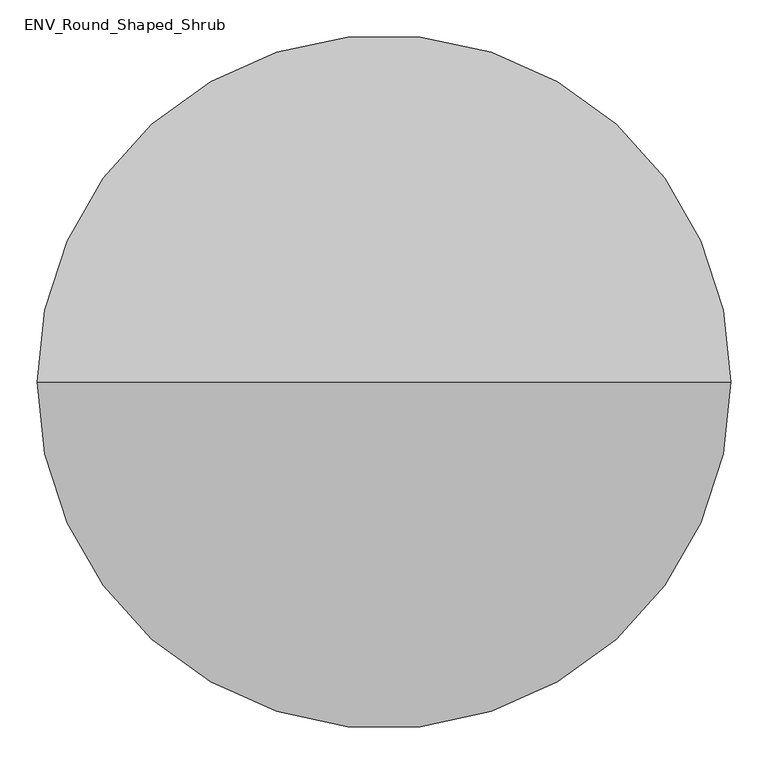
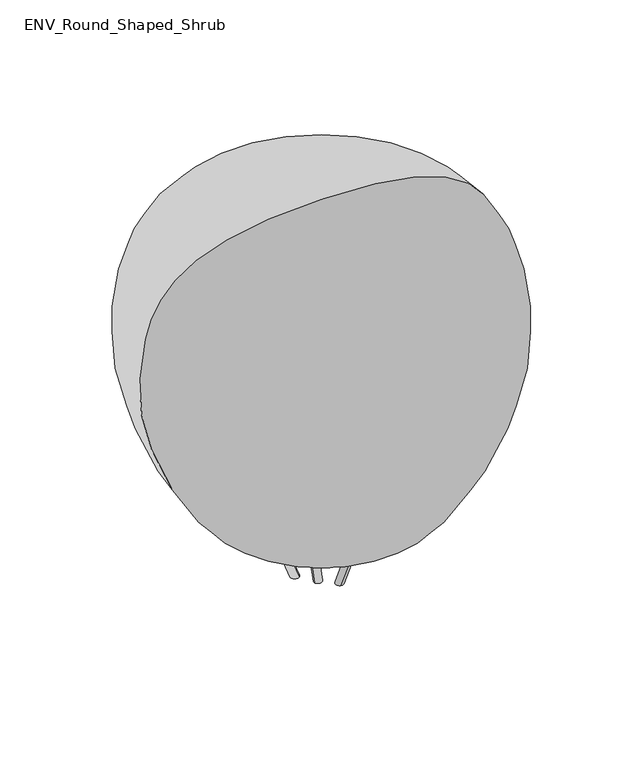
"""IFC4 building model written with IfcOpenShell, lengths in millimetres: geographic element geometry, ENV_Round_Shaped_Shrub."""

import ifcopenshell
import ifcopenshell.guid

model = None  # the IFC model being written
_history = None  # IfcOwnerHistory: only IFC2X3 demands one
_inside = {}  # id of a spatial element -> (the spatial element, [elements in it])
_under = {}  # id of a project, library or spatial element -> (it, [spatial elements below it])
_declared = {}  # id of a project -> (the project, [libraries it declares])
_typed = {}  # id of a type object -> (the type object, [elements of that type])
_made_of = {}  # id of a material, layer set ... -> (it, [elements and type objects made of it])


def new_model(schema):
    """Start an empty IFC model of exactly this schema.

    Asked for "IFC4X3", IfcOpenShell would pick the latest addendum, in which some entities
    have other attributes; the version numbers below select the first issue.
    IFC2X3 requires an IfcOwnerHistory on every rooted entity: one is made here for all.
    """
    global model, _history
    if schema == "IFC4X3":
        model = ifcopenshell.file(schema_version=(4, 3, 0, 0))
    else:
        model = ifcopenshell.file(schema=schema)
    _inside.clear()
    _under.clear()
    _declared.clear()
    _typed.clear()
    _made_of.clear()
    _history = None
    if model.schema == "IFC2X3":
        org = make("IfcOrganization", Name="unknown")
        user = make(
            "IfcPersonAndOrganization",
            ThePerson=make("IfcPerson", FamilyName="unknown"),
            TheOrganization=org,
        )
        app = make(
            "IfcApplication",
            ApplicationDeveloper=org,
            Version="unknown",
            ApplicationFullName="unknown",
            ApplicationIdentifier="unknown",
        )
        _history = make(
            "IfcOwnerHistory",
            OwningUser=user,
            OwningApplication=app,
            ChangeAction="ADDED",
            CreationDate=0,
        )
    return model


def make(cls, **values):
    """One entity of the class cls with the attributes given. An attribute that is None is left unset."""
    return model.create_entity(
        cls, **{name: value for name, value in values.items() if value is not None}
    )


def rooted(cls, **values):
    """An entity with a GlobalId (a new one), such as an element, a storey or a relation."""
    return make(cls, GlobalId=ifcopenshell.guid.new(), OwnerHistory=_history, **values)


def si_unit(unit_type, name, prefix=None):
    """IfcSIUnit, for example si_unit("LENGTHUNIT", "METRE", prefix="MILLI")."""
    return make("IfcSIUnit", UnitType=unit_type, Prefix=prefix, Name=name)


def assignment(units):
    """IfcUnitAssignment: the units of a project."""
    return None if units is None else make("IfcUnitAssignment", Units=units)


def point(xyz):
    """IfcCartesianPoint."""
    return None if xyz is None else make("IfcCartesianPoint", Coordinates=xyz)


def direction(xyz):
    """IfcDirection."""
    return None if xyz is None else make("IfcDirection", DirectionRatios=xyz)


def frame(location, z_axis=None, x_axis=None):
    """IfcAxis2Placement3D, a coordinate frame: its origin and axes. An axis left out is left unset."""
    return make(
        "IfcAxis2Placement3D",
        Location=point(location),
        Axis=direction(z_axis),
        RefDirection=direction(x_axis),
    )


def origin():
    """The frame at (0, 0, 0) with its axes left unset."""
    return frame((0.0, 0.0, 0.0))


def place(relative_to, where):
    """IfcLocalPlacement: puts the frame where relative to a parent placement (None: the world)."""
    return make(
        "IfcLocalPlacement", PlacementRelTo=relative_to, RelativePlacement=where
    )


def context(
    kind, dimensions, precision=None, world=None, true_north=None, identifier=None
):
    """IfcGeometricRepresentationContext, for example the 3D "Model" context."""
    return make(
        "IfcGeometricRepresentationContext",
        ContextIdentifier=identifier,
        ContextType=kind,
        CoordinateSpaceDimension=dimensions,
        Precision=precision,
        WorldCoordinateSystem=world,
        TrueNorth=true_north,
    )


def project(units=None, contexts=None):
    """IfcProject with its units and contexts."""
    return rooted(
        "IfcProject",
        Name="project",
        RepresentationContexts=contexts,
        UnitsInContext=assignment(units),
    )


def spatial(cls, under=None, at=None, **own):
    """A site, building, storey or space (cls), placed at a placement, below another one or the project."""
    s = rooted(cls, ObjectPlacement=at, **own)
    if under is not None:
        _under.setdefault(under.id(), (under, []))[1].append(s)
    return s


def circle_curve(where, radius):
    """IfcCircle in the frame where."""
    return make("IfcCircle", Position=where, Radius=radius)


def ellipse_curve(where, semi_axis1, semi_axis2):
    """IfcEllipse in the frame where."""
    return make(
        "IfcEllipse", Position=where, SemiAxis1=semi_axis1, SemiAxis2=semi_axis2
    )


def shape(context_of_items, identifier, shape_type, items):
    """IfcShapeRepresentation: the items that make up one representation, for example the "Body"."""
    return make(
        "IfcShapeRepresentation",
        ContextOfItems=context_of_items,
        RepresentationIdentifier=identifier,
        RepresentationType=shape_type,
        Items=items,
    )


def source(mapping_origin, context_of_items, identifier, shape_type, items):
    """IfcRepresentationMap: a shape defined once, which mapped items show again and again."""
    return make(
        "IfcRepresentationMap",
        MappingOrigin=mapping_origin,
        MappedRepresentation=shape(context_of_items, identifier, shape_type, items),
    )


def transform(
    local_origin,
    x_axis=None,
    y_axis=None,
    z_axis=None,
    scale=None,
    scale2=None,
    scale3=None,
    uniform=True,
):
    """IfcCartesianTransformationOperator3D, or its non-uniform kind. x_axis, y_axis, z_axis: its Axis1, 2, 3."""
    if uniform:
        return make(
            "IfcCartesianTransformationOperator3D",
            Axis1=direction(x_axis),
            Axis2=direction(y_axis),
            LocalOrigin=point(local_origin),
            Scale=scale,
            Axis3=direction(z_axis),
        )
    return make(
        "IfcCartesianTransformationOperator3DnonUniform",
        Axis1=direction(x_axis),
        Axis2=direction(y_axis),
        LocalOrigin=point(local_origin),
        Scale=scale,
        Axis3=direction(z_axis),
        Scale2=scale2,
        Scale3=scale3,
    )


def mapped(mapping_source, mapping_target):
    """IfcMappedItem: shows the shape of a source again, moved by a transform."""
    return make(
        "IfcMappedItem", MappingSource=mapping_source, MappingTarget=mapping_target
    )


def made_of(thing, what):
    """Note that an element or type object is made of a material, layer set ...; save() writes the relation."""
    if what is not None:
        _made_of.setdefault(what.id(), (what, []))[1].append(thing)
    return thing


def element(
    cls,
    number,
    at=None,
    inside=None,
    cuts=None,
    type_object=None,
    material=None,
    context=None,
    identifier="Body",
    shape_type=None,
    held_by="IfcProductDefinitionShape",
    body=None,
    shapes=None,
    **own,
):
    """One element of the class cls, such as IfcWall. Its Tag is "e" and its number.

    at: its placement. inside: the storey or other place that contains it. cuts: it is an
    opening in that element (IfcRelVoidsElement). A single representation is given by context,
    identifier, shape_type and body (its items); several are given by shapes. held_by: the class
    of the entity that holds the representations. save() writes the other relations.
    """
    e = rooted(cls, Tag="e%d" % number, ObjectPlacement=at, **own)
    if body is not None:
        shapes = [shape(context, identifier, shape_type, body)]
    if shapes is not None:
        e.Representation = make(held_by, Representations=shapes)
    if inside is not None:
        _inside.setdefault(inside.id(), (inside, []))[1].append(e)
    if cuts is not None:
        rooted(
            "IfcRelVoidsElement", RelatingBuildingElement=cuts, RelatedOpeningElement=e
        )
    if type_object is not None:
        _typed.setdefault(type_object.id(), (type_object, []))[1].append(e)
    return made_of(e, material)


def aggregate(whole, parts):
    """IfcRelAggregates: a whole, such as a stair, and the parts it consists of."""
    return rooted("IfcRelAggregates", RelatingObject=whole, RelatedObjects=parts)


def save(model, path):
    """Write the relations noted so far, then the file.

    IfcRelAggregates (storeys below a building ...), IfcRelContainedInSpatialStructure (elements
    in a storey), IfcRelDefinesByType, IfcRelAssociatesMaterial and IfcRelDeclares: one each for
    every whole, place, type object, material and project.
    """
    for whole, parts in _under.values():
        aggregate(whole, parts)
    for where, things in _inside.values():
        rooted(
            "IfcRelContainedInSpatialStructure",
            RelatedElements=things,
            RelatingStructure=where,
        )
    for kind, things in _typed.values():
        rooted("IfcRelDefinesByType", RelatedObjects=things, RelatingType=kind)
    for what, things in _made_of.values():
        rooted("IfcRelAssociatesMaterial", RelatedObjects=things, RelatingMaterial=what)
    for by, libraries in _declared.values():
        rooted("IfcRelDeclares", RelatingContext=by, RelatedDefinitions=libraries)
    model.write(path)


def plane_surface(at):
    """IfcPlane: the flat surface through the origin of the frame at, square to its z axis."""
    return make("IfcPlane", Position=at)


def cylinder_surface(at, radius):
    """IfcCylindricalSurface: all points at the distance radius from the z axis of the frame at."""
    return make("IfcCylindricalSurface", Position=at, Radius=radius)


def revolved_surface(curve, axis_point, axis_direction):
    """IfcSurfaceOfRevolution: the curve turned about the line through axis_point along axis_direction."""
    return make(
        "IfcSurfaceOfRevolution",
        SweptCurve=make("IfcArbitraryOpenProfileDef", ProfileType="CURVE", Curve=curve),
        AxisPosition=make("IfcAxis1Placement", Location=point(axis_point), Axis=direction(axis_direction)),
    )


def spline_curve(degree, points, multiplicities, knots, weights=None):
    """IfcBSplineCurveWithKnots; with weights, IfcRationalBSplineCurveWithKnots."""
    own = dict(
        Degree=degree,
        ControlPointsList=[point(p) for p in points],
        CurveForm="UNSPECIFIED",
        ClosedCurve=False,
        SelfIntersect=False,
        KnotMultiplicities=multiplicities,
        Knots=knots,
        KnotSpec="UNSPECIFIED",
    )
    if weights is None:
        return make("IfcBSplineCurveWithKnots", **own)
    return make("IfcRationalBSplineCurveWithKnots", WeightsData=weights, **own)


def advanced_brep(points, edges, surfaces, faces):
    """IfcAdvancedBrep: a solid bounded by faces that lie on surfaces and meet in shared edges.

    An edge is (start, end): straight between two places in points (the first is 0);
    or (start, end, curve); or (start, end, curve, False) where it runs against its curve.
    A face is (place in surfaces, loops), or (place, loops, False) where it looks against
    its surface's normal. A loop lists edges by number (the first is 1), with a minus sign
    where the edge is run from its end to its start. The first loop is the outer one.
    """
    corners = [point(p) for p in points]
    vertices = [make("IfcVertexPoint", VertexGeometry=c) for c in corners]
    made = []
    for start, end, *more in edges:
        made.append(
            make(
                "IfcEdgeCurve",
                EdgeStart=vertices[start],
                EdgeEnd=vertices[end],
                EdgeGeometry=more[0] if more else make("IfcPolyline", Points=[corners[start], corners[end]]),
                SameSense=more[1] if len(more) > 1 else True,
            )
        )
    hull = []
    for where, loops, *sense in faces:
        bounds = []
        for j, loop in enumerate(loops):
            ring = [make("IfcOrientedEdge", EdgeElement=made[abs(k) - 1], Orientation=k > 0) for k in loop]
            bounds.append(
                make(
                    "IfcFaceOuterBound" if j == 0 else "IfcFaceBound",
                    Bound=make("IfcEdgeLoop", EdgeList=ring),
                    Orientation=True,
                )
            )
        hull.append(make("IfcAdvancedFace", Bounds=bounds, FaceSurface=surfaces[where], SameSense=sense[0] if sense else True))
    return make("IfcAdvancedBrep", Outer=make("IfcClosedShell", CfsFaces=hull))


def env_round_shaped_shrub_446dff28(model_context):
    return source(origin(), model_context, "Body", "AdvancedBrep", [
        advanced_brep(
        [(61.6716294, -1.9982373, 0.0), (76.6627338, -16.637563, 0.0), (98.827655, -27.6181618, 91.7280326), (107.2505846, -24.8335529, 87.0040194), (170.8370404, -41.8714924, 152.8335625), (161.7670638, -28.8187281, 164.9727911), (95.5811063, -11.0842543, 96.4520458), (104.0040359, -8.2996453, 91.7280326)],
        [
            (0, 1, ellipse_curve(frame((69.1671816, -9.3179001, 0.0), z_axis=(0.0, 0.0, -1.0), x_axis=(-0.9659258262890683, 0.2588190451025204, 0.0)), 10.6417777, 10.0)),
            (1, 0, ellipse_curve(frame((69.1671816, -9.3179001, 0.0), z_axis=(0.0, 0.0, -1.0), x_axis=(-0.9659258262890683, 0.2588190451025204, 0.0)), 10.6417777, 10.0)),
            (2, 3, ellipse_curve(frame((101.4158454, -17.9589036, 91.7280326), z_axis=(0.5189915681571995, -0.13906337156628334, 0.8433914458128852), x_axis=(-0.8146535791819433, 0.21828576865292487, 0.5372996083468246)), 10.2427951, 10.0)),
            (3, 4),
            (4, 5, circle_curve(frame((166.3020521, -35.3451102, 158.9031768), z_axis=(-0.6830127018922202, 0.18301270189221922, -0.7071067811865468), x_axis=(0.45349882942493097, -0.6526382107663821, -0.606961430041376)), 10.0)),
            (5, 6),
            (6, 2, ellipse_curve(frame((101.4158454, -17.9589036, 91.7280326), z_axis=(0.5189915681571995, -0.13906337156628334, 0.8433914458128852), x_axis=(-0.8146535791819433, 0.21828576865292487, 0.5372996083468246)), 10.2427951, 10.0)),
            (7, 6, ellipse_curve(frame((101.4158454, -17.9589036, 91.7280326), z_axis=(0.5189915681571995, -0.13906337156628334, 0.8433914458128852), x_axis=(-0.8146535791819433, 0.21828576865292487, 0.5372996083468246)), 10.2427951, 10.0)),
            (5, 4, circle_curve(frame((166.3020521, -35.3451102, 158.9031768), z_axis=(-0.6830127018922202, 0.18301270189221922, -0.7071067811865468), x_axis=(0.45349882942493097, -0.6526382107663821, -0.606961430041376)), 10.0)),
            (3, 7, ellipse_curve(frame((101.4158454, -17.9589036, 91.7280326), z_axis=(0.5189915681571995, -0.13906337156628334, 0.8433914458128852), x_axis=(-0.8146535791819433, 0.21828576865292487, 0.5372996083468246)), 10.2427951, 10.0)),
            (6, 0),
            (1, 3),
        ],
        [
            plane_surface(frame((70.0, -94.4589468, 0.0), z_axis=(0.0, 0.0, -1.0), x_axis=(0.866025403784438, 0.5000000000000011, 0.0))),
            cylinder_surface(frame((101.4158454, -17.9589036, 91.7280326), z_axis=(-0.6830127018922201, 0.1830127018922192, -0.7071067811865467), x_axis=(0.45349882942493097, -0.6526382107663821, -0.606961430041376)), 10.0),
            plane_surface(frame((166.3020521, -35.3451102, 158.9031768), z_axis=(0.6830127018922202, -0.18301270189221933, 0.7071067811865469), x_axis=(-0.25881904510252046, -0.9659258262890684, 0.0))),
            cylinder_surface(frame((67.0577721, -8.7526856, -6.0), z_axis=(-0.3303660895493531, 0.08852132690137701, -0.939692620785908), x_axis=(0.6463415014785641, -0.7043102490094133, -0.2935808859696647)), 10.0),
        ],
        [
            (0, [[1, 2]]),
            (1, [[3, 4, 5, 6, 7]]),
            (1, [[8, -6, 9, -4, 10]]),
            (2, [[-5, -9]]),
            (3, [[-3, -7, 11, -2, 12]]),
            (3, [[-8, -10, -12, -1, -11]]),
        ],
    ),
        advanced_brep(
        [(-19.7624914, -33.0177742, 0.0), (-39.9360715, -38.6807887, 0.0), (-60.5280097, -52.385874, 91.7280326), (-62.3279323, -61.0726495, 87.0040194), (-108.8764487, -107.6211659, 152.8335625), (-93.037435, -106.2927178, 164.9727911), (-44.5859513, -57.8412342, 96.4520458), (-46.385874, -66.5280097, 91.7280326)],
        [
            (0, 1, ellipse_curve(frame((-29.8492815, -35.8492815, 0.0), z_axis=(0.0, 0.0, -1.0), x_axis=(0.7071067811865501, 0.7071067811865449, 0.0)), 10.6417777, 10.0)),
            (1, 0, ellipse_curve(frame((-29.8492815, -35.8492815, 0.0), z_axis=(0.0, 0.0, -1.0), x_axis=(0.7071067811865501, 0.7071067811865449, 0.0)), 10.6417777, 10.0)),
            (2, 3, ellipse_curve(frame((-53.4569418, -59.4569418, 91.7280326), z_axis=(-0.3799281965909173, -0.3799281965909145, 0.8433914458128852), x_axis=(0.5963678105290198, 0.5963678105290152, 0.5372996083468252)), 10.2427951, 10.0)),
            (3, 4),
            (4, 5, circle_curve(frame((-100.9569418, -106.9569418, 158.9031768), z_axis=(0.5000000000000024, 0.49999999999999867, -0.7071067811865469), x_axis=(-0.7919506847165756, -0.06642240148530193, -0.6069614300413759)), 10.0)),
            (5, 6),
            (6, 2, ellipse_curve(frame((-53.4569418, -59.4569418, 91.7280326), z_axis=(-0.3799281965909173, -0.3799281965909145, 0.8433914458128852), x_axis=(0.5963678105290198, 0.5963678105290152, 0.5372996083468252)), 10.2427951, 10.0)),
            (7, 6, ellipse_curve(frame((-53.4569418, -59.4569418, 91.7280326), z_axis=(-0.3799281965909173, -0.3799281965909145, 0.8433914458128852), x_axis=(0.5963678105290198, 0.5963678105290152, 0.5372996083468252)), 10.2427951, 10.0)),
            (5, 4, circle_curve(frame((-100.9569418, -106.9569418, 158.9031768), z_axis=(0.5000000000000024, 0.49999999999999867, -0.7071067811865469), x_axis=(-0.7919506847165756, -0.06642240148530193, -0.6069614300413759)), 10.0)),
            (3, 7, ellipse_curve(frame((-53.4569418, -59.4569418, 91.7280326), z_axis=(-0.3799281965909173, -0.3799281965909145, 0.8433914458128852), x_axis=(0.5963678105290198, 0.5963678105290152, 0.5372996083468252)), 10.2427951, 10.0)),
            (6, 0),
            (1, 3),
        ],
        [
            plane_surface(frame((70.0, -94.4589468, 0.0), z_axis=(0.0, 0.0, -1.0), x_axis=(0.866025403784438, 0.5000000000000011, 0.0))),
            cylinder_surface(frame((-53.4569418, -59.4569418, 91.7280326), z_axis=(0.5000000000000023, 0.49999999999999856, -0.7071067811865468), x_axis=(-0.7919506847165756, -0.06642240148530193, -0.6069614300413759)), 10.0),
            plane_surface(frame((-100.9569418, -106.9569418, 158.9031768), z_axis=(-0.5000000000000026, -0.49999999999999856, 0.7071067811865468), x_axis=(-0.7071067811865447, 0.7071067811865503, 0.0))),
            cylinder_surface(frame((-28.3050865, -34.3050865, -6.0), z_axis=(0.24184476264797683, 0.24184476264797505, -0.939692620785908), x_axis=(-0.9331213185271785, -0.20759303529590376, -0.2935808859696646)), 10.0),
        ],
        [
            (0, [[1, 2]]),
            (1, [[3, 4, 5, 6, 7]]),
            (1, [[8, -6, 9, -4, 10]]),
            (2, [[-5, -9]]),
            (3, [[-3, -7, 11, -2, 12]]),
            (3, [[-8, -10, -12, -1, -11]]),
        ],
    ),
        advanced_brep(
        [(-5.909138, 53.0160116, 0.0), (-0.7266623, 73.3183516, 0.0), (-2.2996453, 98.0040359, 91.7280326), (-8.9226522, 103.9062024, 87.0040194), (-25.9605917, 167.4926582, 152.8335625), (-32.7296288, 153.111446, 164.9727911), (-14.9951549, 86.9254884, 96.4520458), (-21.6181618, 92.827655, 91.7280326)],
        [
            (0, 1, ellipse_curve(frame((-3.3179001, 63.1671816, 0.0), z_axis=(0.0, 0.0, -1.0), x_axis=(0.2588190451025192, -0.9659258262890686, 0.0)), 10.6417777, 10.0)),
            (1, 0, ellipse_curve(frame((-3.3179001, 63.1671816, 0.0), z_axis=(0.0, 0.0, -1.0), x_axis=(0.2588190451025192, -0.9659258262890686, 0.0)), 10.6417777, 10.0)),
            (2, 3, ellipse_curve(frame((-11.9589036, 95.4158454, 91.7280326), z_axis=(-0.13906337156628273, 0.5189915681571997, 0.8433914458128852), x_axis=(0.21828576865292396, -0.8146535791819434, 0.5372996083468248)), 10.2427951, 10.0)),
            (3, 4),
            (4, 5, circle_curve(frame((-29.3451102, 160.3020521, 158.9031768), z_axis=(0.18301270189221844, -0.6830127018922205, -0.7071067811865467), x_axis=(0.33845185529164556, 0.7190606122516878, -0.6069614300413747)), 10.0)),
            (5, 6),
            (6, 2, ellipse_curve(frame((-11.9589036, 95.4158454, 91.7280326), z_axis=(-0.13906337156628273, 0.5189915681571997, 0.8433914458128852), x_axis=(0.21828576865292396, -0.8146535791819434, 0.5372996083468248)), 10.2427951, 10.0)),
            (7, 6, ellipse_curve(frame((-11.9589036, 95.4158454, 91.7280326), z_axis=(-0.13906337156628273, 0.5189915681571997, 0.8433914458128852), x_axis=(0.21828576865292396, -0.8146535791819434, 0.5372996083468248)), 10.2427951, 10.0)),
            (5, 4, circle_curve(frame((-29.3451102, 160.3020521, 158.9031768), z_axis=(0.18301270189221844, -0.6830127018922205, -0.7071067811865467), x_axis=(0.33845185529164556, 0.7190606122516878, -0.6069614300413747)), 10.0)),
            (3, 7, ellipse_curve(frame((-11.9589036, 95.4158454, 91.7280326), z_axis=(-0.13906337156628273, 0.5189915681571997, 0.8433914458128852), x_axis=(0.21828576865292396, -0.8146535791819434, 0.5372996083468248)), 10.2427951, 10.0)),
            (6, 0),
            (1, 3),
        ],
        [
            plane_surface(frame((70.0, -94.4589468, 0.0), z_axis=(0.0, 0.0, -1.0), x_axis=(0.866025403784438, 0.5000000000000011, 0.0))),
            cylinder_surface(frame((-11.9589036, 95.4158454, 91.7280326), z_axis=(0.1830127018922184, -0.6830127018922204, -0.7071067811865466), x_axis=(0.33845185529164556, 0.7190606122516878, -0.6069614300413747)), 10.0),
            plane_surface(frame((-29.3451102, 160.3020521, 158.9031768), z_axis=(-0.18301270189221808, 0.6830127018922203, 0.7071067811865469), x_axis=(0.9659258262890689, 0.2588190451025188, 0.0))),
            cylinder_surface(frame((-2.7526856, 61.0577721, -6.0), z_axis=(0.0885213269013766, -0.3303660895493532, -0.939692620785908), x_axis=(0.2867798170486154, 0.91190328430532, -0.29358088596966486)), 10.0),
        ],
        [
            (0, [[1, 2]]),
            (1, [[3, 4, 5, 6, 7]]),
            (1, [[8, -6, 9, -4, 10]]),
            (2, [[-5, -9]]),
            (3, [[-3, -7, 11, -2, 12]]),
            (3, [[-8, -10, -12, -1, -11]]),
        ],
    ),
        advanced_brep(
        [(-44.371992, -41.8687327, 57.0605201), (-46.1101944, -60.6134537, 63.8143403), (-12.0428632, -26.5461225, 167.133428), (-10.3046607, -7.8014015, 160.3796078)],
        [
            (0, 1, circle_curve(frame((-45.2410932, -51.2410932, 60.4374302), z_axis=(0.29883623873011994, 0.2988362387301175, 0.9063077870366508), x_axis=(-0.0869101235168831, -0.9372360499747513, 0.33769100825755716)), 10.0)),
            (1, 2),
            (2, 3, circle_curve(frame((-11.173762, -17.173762, 163.7565179), z_axis=(-0.29883623873011994, -0.2988362387301175, -0.9063077870366508), x_axis=(-0.0869101235168831, -0.9372360499747513, 0.33769100825755716)), 10.0)),
            (3, 0),
            (1, 0, circle_curve(frame((-45.2410932, -51.2410932, 60.4374302), z_axis=(0.29883623873011994, 0.2988362387301175, 0.9063077870366508), x_axis=(-0.0869101235168831, -0.9372360499747513, 0.33769100825755716)), 10.0)),
            (3, 2, circle_curve(frame((-11.173762, -17.173762, 163.7565179), z_axis=(-0.29883623873011994, -0.2988362387301175, -0.9063077870366508), x_axis=(-0.0869101235168831, -0.9372360499747513, 0.33769100825755716)), 10.0)),
        ],
        [
            cylinder_surface(frame((-45.2410932, -51.2410932, 60.4374302), z_axis=(-0.2988362387301199, -0.29883623873011744, -0.9063077870366506), x_axis=(-0.0869101235168831, -0.9372360499747513, 0.33769100825755716)), 10.0),
            plane_surface(frame((-11.173762, -17.173762, 163.7565179), z_axis=(0.29883623873012, 0.2988362387301176, 0.9063077870366507), x_axis=(-0.7071067811865447, 0.7071067811865503, 0.0))),
            plane_surface(frame((-45.2410932, -51.2410932, 60.4374302), z_axis=(-0.29883623873012, -0.2988362387301176, -0.9063077870366507), x_axis=(-0.7071067811865447, 0.7071067811865503, 0.0))),
        ],
        [
            (0, [[1, 2, 3, 4]]),
            (0, [[5, -4, 6, -2]]),
            (1, [[-3, -6]]),
            (2, [[-5, -1]]),
        ],
    ),
        advanced_brep(
        [(-1.2695426, 78.7539435, 57.0605201), (-16.6338459, 89.6316314, 63.8143403), (-4.1643373, 43.0947916, 167.133428), (11.1999661, 32.2171036, 160.3796078)],
        [
            (0, 1, circle_curve(frame((-8.9516943, 84.1927875, 60.4374302), z_axis=(0.10938165494661385, -0.4082178936767335, 0.9063077870366507), x_axis=(-0.7682151668622754, 0.5438843997990385, 0.3376910082575573)), 10.0)),
            (1, 2),
            (2, 3, circle_curve(frame((3.5178144, 37.6559476, 163.7565179), z_axis=(-0.10938165494661385, 0.4082178936767335, -0.9063077870366507), x_axis=(-0.7682151668622754, 0.5438843997990385, 0.3376910082575573)), 10.0)),
            (3, 0),
            (1, 0, circle_curve(frame((-8.9516943, 84.1927875, 60.4374302), z_axis=(0.10938165494661385, -0.4082178936767335, 0.9063077870366507), x_axis=(-0.7682151668622754, 0.5438843997990385, 0.3376910082575573)), 10.0)),
            (3, 2, circle_curve(frame((3.5178144, 37.6559476, 163.7565179), z_axis=(-0.10938165494661385, 0.4082178936767335, -0.9063077870366507), x_axis=(-0.7682151668622754, 0.5438843997990385, 0.3376910082575573)), 10.0)),
        ],
        [
            cylinder_surface(frame((-8.9516943, 84.1927875, 60.4374302), z_axis=(-0.10938165494661385, 0.4082178936767335, -0.9063077870366507), x_axis=(-0.7682151668622754, 0.5438843997990385, 0.3376910082575573)), 10.0),
            plane_surface(frame((3.5178144, 37.6559476, 163.7565179), z_axis=(0.10938165494661387, -0.40821789367673356, 0.9063077870366508), x_axis=(0.9659258262890689, 0.258819045102519, 0.0))),
            plane_surface(frame((-8.9516943, 84.1927875, 60.4374302), z_axis=(-0.10938165494661387, 0.40821789367673356, -0.9063077870366508), x_axis=(0.9659258262890689, 0.258819045102519, 0.0))),
        ],
        [
            (0, [[1, 2, 3, 4]]),
            (0, [[5, -4, 6, -2]]),
            (1, [[-3, -6]]),
            (2, [[-5, -1]]),
        ],
    ),
        advanced_brep(
        [(81.6415345, -18.8852108, 57.0605201), (98.7440404, -11.0181777, 63.8143403), (52.2072005, 1.4513309, 167.133428), (35.1046947, -6.4157021, 160.3796078)],
        [
            (0, 1, circle_curve(frame((90.1927875, -14.9516943, 60.4374302), z_axis=(-0.40821789367673333, 0.10938165494661448, 0.9063077870366507), x_axis=(0.8551252903791562, 0.3933516501757146, 0.3376910082575578)), 10.0)),
            (1, 2),
            (2, 3, circle_curve(frame((43.6559476, -2.4821856, 163.7565179), z_axis=(0.40821789367673333, -0.10938165494661448, -0.9063077870366507), x_axis=(0.8551252903791562, 0.3933516501757146, 0.3376910082575578)), 10.0)),
            (3, 0),
            (1, 0, circle_curve(frame((90.1927875, -14.9516943, 60.4374302), z_axis=(-0.40821789367673333, 0.10938165494661448, 0.9063077870366507), x_axis=(0.8551252903791562, 0.3933516501757146, 0.3376910082575578)), 10.0)),
            (3, 2, circle_curve(frame((43.6559476, -2.4821856, 163.7565179), z_axis=(0.40821789367673333, -0.10938165494661448, -0.9063077870366507), x_axis=(0.8551252903791562, 0.3933516501757146, 0.3376910082575578)), 10.0)),
        ],
        [
            cylinder_surface(frame((90.1927875, -14.9516943, 60.4374302), z_axis=(0.40821789367673333, -0.10938165494661448, -0.9063077870366507), x_axis=(0.8551252903791562, 0.3933516501757146, 0.3376910082575578)), 10.0),
            plane_surface(frame((43.6559476, -2.4821856, 163.7565179), z_axis=(-0.4082178936767332, 0.10938165494661453, 0.9063077870366508), x_axis=(-0.25881904510252063, -0.9659258262890683, 0.0))),
            plane_surface(frame((90.1927875, -14.9516943, 60.4374302), z_axis=(0.4082178936767332, -0.10938165494661453, -0.9063077870366508), x_axis=(-0.25881904510252063, -0.9659258262890683, 0.0))),
        ],
        [
            (0, [[1, 2, 3, 4]]),
            (0, [[5, -4, 6, -2]]),
            (1, [[-3, -6]]),
            (2, [[-5, -1]]),
        ],
    ),
        advanced_brep(
        [(23.7624914, 29.0177742, 0.0), (43.9360715, 34.6807887, 0.0), (64.5280097, 48.385874, 91.7280326), (66.3279323, 57.0726495, 87.0040194), (112.8764487, 103.6211659, 152.8335625), (97.037435, 102.2927178, 164.9727911), (48.5859513, 53.8412342, 96.4520458), (50.385874, 62.5280097, 91.7280326)],
        [
            (0, 1, ellipse_curve(frame((33.8492815, 31.8492815, 0.0), z_axis=(0.0, 0.0, -1.0), x_axis=(-0.7071067811865481, -0.7071067811865469, 0.0)), 10.6417777, 10.0)),
            (1, 0, ellipse_curve(frame((33.8492815, 31.8492815, 0.0), z_axis=(0.0, 0.0, -1.0), x_axis=(-0.7071067811865481, -0.7071067811865469, 0.0)), 10.6417777, 10.0)),
            (2, 3, ellipse_curve(frame((57.4569418, 55.4569418, 91.7280326), z_axis=(0.37992819659091615, 0.3799281965909155, 0.8433914458128852), x_axis=(-0.596367810529018, -0.5963678105290176, 0.5372996083468246)), 10.2427951, 10.0)),
            (3, 4),
            (4, 5, circle_curve(frame((104.9569418, 102.9569418, 158.9031768), z_axis=(-0.5000000000000009, -0.5000000000000001, -0.7071067811865468), x_axis=(0.7919506847165753, 0.06642240148530414, -0.6069614300413761)), 10.0)),
            (5, 6),
            (6, 2, ellipse_curve(frame((57.4569418, 55.4569418, 91.7280326), z_axis=(0.37992819659091615, 0.3799281965909155, 0.8433914458128852), x_axis=(-0.596367810529018, -0.5963678105290176, 0.5372996083468246)), 10.2427951, 10.0)),
            (7, 6, ellipse_curve(frame((57.4569418, 55.4569418, 91.7280326), z_axis=(0.37992819659091615, 0.3799281965909155, 0.8433914458128852), x_axis=(-0.596367810529018, -0.5963678105290176, 0.5372996083468246)), 10.2427951, 10.0)),
            (5, 4, circle_curve(frame((104.9569418, 102.9569418, 158.9031768), z_axis=(-0.5000000000000009, -0.5000000000000001, -0.7071067811865468), x_axis=(0.7919506847165753, 0.06642240148530414, -0.6069614300413761)), 10.0)),
            (3, 7, ellipse_curve(frame((57.4569418, 55.4569418, 91.7280326), z_axis=(0.37992819659091615, 0.3799281965909155, 0.8433914458128852), x_axis=(-0.596367810529018, -0.5963678105290176, 0.5372996083468246)), 10.2427951, 10.0)),
            (6, 0),
            (1, 3),
        ],
        [
            plane_surface(frame((108.0, -10.0, 0.0), z_axis=(0.0, 0.0, -1.0), x_axis=(0.0, 1.0, 0.0))),
            cylinder_surface(frame((57.4569418, 55.4569418, 91.7280326), z_axis=(-0.5000000000000009, -0.5000000000000001, -0.7071067811865468), x_axis=(0.7919506847165753, 0.06642240148530414, -0.6069614300413761)), 10.0),
            plane_surface(frame((104.9569418, 102.9569418, 158.9031768), z_axis=(0.5000000000000011, 0.5000000000000001, 0.7071067811865469), x_axis=(0.7071067811865469, -0.7071067811865482, 0.0))),
            cylinder_surface(frame((32.3050865, 30.3050865, -6.0), z_axis=(-0.2418447626479762, -0.24184476264797575, -0.9396926207859081), x_axis=(0.9331213185271781, 0.20759303529590603, -0.29358088596966475)), 10.0),
        ],
        [
            (0, [[1, 2]]),
            (1, [[3, 4, 5, 6, 7]]),
            (1, [[8, -6, 9, -4, 10]]),
            (2, [[-5, -9]]),
            (3, [[-3, -7, 11, -2, 12]]),
            (3, [[-8, -10, -12, -1, -11]]),
        ],
    ),
        advanced_brep(
        [(9.909138, -57.0160116, 0.0), (4.7266623, -77.3183516, 0.0), (6.2996453, -102.0040359, 91.7280326), (12.9226522, -107.9062024, 87.0040194), (29.9605917, -171.4926582, 152.8335625), (36.7296288, -157.111446, 164.9727911), (18.9951549, -90.9254884, 96.4520458), (25.6181618, -96.827655, 91.7280326)],
        [
            (0, 1, ellipse_curve(frame((7.3179001, -67.1671816, 0.0), z_axis=(0.0, 0.0, -1.0), x_axis=(-0.258819045102516, 0.9659258262890695, 0.0)), 10.6417777, 10.0)),
            (1, 0, ellipse_curve(frame((7.3179001, -67.1671816, 0.0), z_axis=(0.0, 0.0, -1.0), x_axis=(-0.258819045102516, 0.9659258262890695, 0.0)), 10.6417777, 10.0)),
            (2, 3, ellipse_curve(frame((15.9589036, -99.4158454, 91.7280326), z_axis=(0.13906337156628096, -0.5189915681572, 0.8433914458128852), x_axis=(-0.21828576865292115, 0.8146535791819443, 0.5372996083468246)), 10.2427951, 10.0)),
            (3, 4),
            (4, 5, circle_curve(frame((33.3451102, -164.3020521, 158.9031768), z_axis=(-0.18301270189221608, 0.683012701892221, -0.7071067811865469), x_axis=(-0.33845185529164806, -0.7190606122516857, -0.606961430041376)), 10.0)),
            (5, 6),
            (6, 2, ellipse_curve(frame((15.9589036, -99.4158454, 91.7280326), z_axis=(0.13906337156628096, -0.5189915681572, 0.8433914458128852), x_axis=(-0.21828576865292115, 0.8146535791819443, 0.5372996083468246)), 10.2427951, 10.0)),
            (7, 6, ellipse_curve(frame((15.9589036, -99.4158454, 91.7280326), z_axis=(0.13906337156628096, -0.5189915681572, 0.8433914458128852), x_axis=(-0.21828576865292115, 0.8146535791819443, 0.5372996083468246)), 10.2427951, 10.0)),
            (5, 4, circle_curve(frame((33.3451102, -164.3020521, 158.9031768), z_axis=(-0.18301270189221608, 0.683012701892221, -0.7071067811865469), x_axis=(-0.33845185529164806, -0.7190606122516857, -0.606961430041376)), 10.0)),
            (3, 7, ellipse_curve(frame((15.9589036, -99.4158454, 91.7280326), z_axis=(0.13906337156628096, -0.5189915681572, 0.8433914458128852), x_axis=(-0.21828576865292115, 0.8146535791819443, 0.5372996083468246)), 10.2427951, 10.0)),
            (6, 0),
            (1, 3),
        ],
        [
            plane_surface(frame((108.0, -10.0, 0.0), z_axis=(0.0, 0.0, -1.0), x_axis=(0.0, 1.0, 0.0))),
            cylinder_surface(frame((15.9589036, -99.4158454, 91.7280326), z_axis=(-0.18301270189221608, 0.683012701892221, -0.7071067811865469), x_axis=(-0.33845185529164806, -0.7190606122516857, -0.606961430041376)), 10.0),
            plane_surface(frame((33.3451102, -164.3020521, 158.9031768), z_axis=(0.183012701892216, -0.6830127018922211, 0.7071067811865468), x_axis=(-0.9659258262890696, -0.25881904510251574, 0.0))),
            cylinder_surface(frame((6.7526856, -65.0577721, -6.0), z_axis=(-0.0885213269013755, 0.33036608954935354, -0.9396926207859081), x_axis=(-0.2867798170486181, -0.9119032843053192, -0.29358088596966464)), 10.0),
        ],
        [
            (0, [[1, 2]]),
            (1, [[3, 4, 5, 6, 7]]),
            (1, [[8, -6, 9, -4, 10]]),
            (2, [[-5, -9]]),
            (3, [[-3, -7, 11, -2, 12]]),
            (3, [[-8, -10, -12, -1, -11]]),
        ],
    ),
        advanced_brep(
        [(-57.6716294, -2.0017627, 0.0), (-72.6627338, 12.637563, 0.0), (-94.827655, 23.6181618, 91.7280326), (-103.2505846, 20.8335529, 87.0040194), (-166.8370404, 37.8714924, 152.8335625), (-157.7670638, 24.8187281, 164.9727911), (-91.5811063, 7.0842543, 96.4520458), (-100.0040359, 4.2996453, 91.7280326)],
        [
            (0, 1, ellipse_curve(frame((-65.1671816, 5.3179001, 0.0), z_axis=(0.0, 0.0, -1.0), x_axis=(0.9659258262890674, -0.25881904510252346, 0.0)), 10.6417777, 10.0)),
            (1, 0, ellipse_curve(frame((-65.1671816, 5.3179001, 0.0), z_axis=(0.0, 0.0, -1.0), x_axis=(0.9659258262890674, -0.25881904510252346, 0.0)), 10.6417777, 10.0)),
            (2, 3, ellipse_curve(frame((-97.4158454, 13.9589036, 91.7280326), z_axis=(-0.5189915681571992, 0.13906337156628504, 0.843391445812885), x_axis=(0.8146535791819424, -0.21828576865292773, 0.5372996083468247)), 10.2427951, 10.0)),
            (3, 4),
            (4, 5, circle_curve(frame((-162.3020521, 31.3451102, 158.9031768), z_axis=(0.6830127018922196, -0.18301270189222146, -0.7071067811865467), x_axis=(-0.45349882942493003, 0.6526382107663843, -0.6069614300413748)), 10.0)),
            (5, 6),
            (6, 2, ellipse_curve(frame((-97.4158454, 13.9589036, 91.7280326), z_axis=(-0.5189915681571992, 0.13906337156628504, 0.843391445812885), x_axis=(0.8146535791819424, -0.21828576865292773, 0.5372996083468247)), 10.2427951, 10.0)),
            (7, 6, ellipse_curve(frame((-97.4158454, 13.9589036, 91.7280326), z_axis=(-0.5189915681571992, 0.13906337156628504, 0.843391445812885), x_axis=(0.8146535791819424, -0.21828576865292773, 0.5372996083468247)), 10.2427951, 10.0)),
            (5, 4, circle_curve(frame((-162.3020521, 31.3451102, 158.9031768), z_axis=(0.6830127018922196, -0.18301270189222146, -0.7071067811865467), x_axis=(-0.45349882942493003, 0.6526382107663843, -0.6069614300413748)), 10.0)),
            (3, 7, ellipse_curve(frame((-97.4158454, 13.9589036, 91.7280326), z_axis=(-0.5189915681571992, 0.13906337156628504, 0.843391445812885), x_axis=(0.8146535791819424, -0.21828576865292773, 0.5372996083468247)), 10.2427951, 10.0)),
            (6, 0),
            (1, 3),
        ],
        [
            plane_surface(frame((108.0, -10.0, 0.0), z_axis=(0.0, 0.0, -1.0), x_axis=(0.0, 1.0, 0.0))),
            cylinder_surface(frame((-97.4158454, 13.9589036, 91.7280326), z_axis=(0.6830127018922196, -0.18301270189222146, -0.7071067811865467), x_axis=(-0.45349882942493003, 0.6526382107663843, -0.6069614300413748)), 10.0),
            plane_surface(frame((-162.3020521, 31.3451102, 158.9031768), z_axis=(-0.6830127018922194, 0.1830127018922217, 0.7071067811865469), x_axis=(0.2588190451025239, 0.9659258262890675, 0.0))),
            cylinder_surface(frame((-63.0577721, 4.7526856, -6.0), z_axis=(0.33036608954935287, -0.08852132690137807, -0.9396926207859081), x_axis=(-0.646341501478562, 0.7043102490094154, -0.2935808859696649)), 10.0),
        ],
        [
            (0, [[1, 2]]),
            (1, [[3, 4, 5, 6, 7]]),
            (1, [[8, -6, 9, -4, 10]]),
            (2, [[-5, -9]]),
            (3, [[-3, -7, 11, -2, 12]]),
            (3, [[-8, -10, -12, -1, -11]]),
        ],
    ),
        advanced_brep(
        [(5.2695426, -82.7539435, 57.0605201), (20.6338459, -93.6316314, 63.8143403), (8.1643373, -47.0947916, 167.133428), (-7.1999661, -36.2171036, 160.3796078)],
        [
            (0, 1, circle_curve(frame((12.9516943, -88.1927875, 60.4374302), z_axis=(-0.1093816549466124, 0.4082178936767339, 0.9063077870366507), x_axis=(0.7682151668622742, -0.5438843997990408, 0.3376910082575572)), 10.0)),
            (1, 2),
            (2, 3, circle_curve(frame((0.4821856, -41.6559476, 163.7565179), z_axis=(0.1093816549466124, -0.4082178936767339, -0.9063077870366507), x_axis=(0.7682151668622742, -0.5438843997990408, 0.3376910082575572)), 10.0)),
            (3, 0),
            (1, 0, circle_curve(frame((12.9516943, -88.1927875, 60.4374302), z_axis=(-0.1093816549466124, 0.4082178936767339, 0.9063077870366507), x_axis=(0.7682151668622742, -0.5438843997990408, 0.3376910082575572)), 10.0)),
            (3, 2, circle_curve(frame((0.4821856, -41.6559476, 163.7565179), z_axis=(0.1093816549466124, -0.4082178936767339, -0.9063077870366507), x_axis=(0.7682151668622742, -0.5438843997990408, 0.3376910082575572)), 10.0)),
        ],
        [
            cylinder_surface(frame((12.9516943, -88.1927875, 60.4374302), z_axis=(0.1093816549466124, -0.4082178936767339, -0.9063077870366507), x_axis=(0.7682151668622742, -0.5438843997990408, 0.3376910082575572)), 10.0),
            plane_surface(frame((0.4821856, -41.6559476, 163.7565179), z_axis=(-0.10938165494661252, 0.408217893676734, 0.9063077870366507), x_axis=(-0.9659258262890696, -0.25881904510251574, 0.0))),
            plane_surface(frame((12.9516943, -88.1927875, 60.4374302), z_axis=(0.10938165494661252, -0.408217893676734, -0.9063077870366507), x_axis=(-0.9659258262890696, -0.25881904510251574, 0.0))),
        ],
        [
            (0, [[1, 2, 3, 4]]),
            (0, [[5, -4, 6, -2]]),
            (1, [[-3, -6]]),
            (2, [[-5, -1]]),
        ],
    ),
        advanced_brep(
        [(-77.6415345, 14.8852108, 57.0605201), (-94.7440404, 7.0181777, 63.8143403), (-48.2072005, -5.4513309, 167.133428), (-31.1046947, 2.4157021, 160.3796078)],
        [
            (0, 1, circle_curve(frame((-86.1927875, 10.9516943, 60.4374302), z_axis=(0.408217893676733, -0.10938165494661586, 0.9063077870366508), x_axis=(-0.8551252903791576, -0.3933516501757118, 0.3376910082575574)), 10.0)),
            (1, 2),
            (2, 3, circle_curve(frame((-39.6559476, -1.5178144, 163.7565179), z_axis=(-0.408217893676733, 0.10938165494661586, -0.9063077870366508), x_axis=(-0.8551252903791576, -0.3933516501757118, 0.3376910082575574)), 10.0)),
            (3, 0),
            (1, 0, circle_curve(frame((-86.1927875, 10.9516943, 60.4374302), z_axis=(0.408217893676733, -0.10938165494661586, 0.9063077870366508), x_axis=(-0.8551252903791576, -0.3933516501757118, 0.3376910082575574)), 10.0)),
            (3, 2, circle_curve(frame((-39.6559476, -1.5178144, 163.7565179), z_axis=(-0.408217893676733, 0.10938165494661586, -0.9063077870366508), x_axis=(-0.8551252903791576, -0.3933516501757118, 0.3376910082575574)), 10.0)),
        ],
        [
            cylinder_surface(frame((-86.1927875, 10.9516943, 60.4374302), z_axis=(-0.408217893676733, 0.10938165494661586, -0.9063077870366508), x_axis=(-0.8551252903791576, -0.3933516501757118, 0.3376910082575574)), 10.0),
            plane_surface(frame((-39.6559476, -1.5178144, 163.7565179), z_axis=(0.40821789367673306, -0.10938165494661586, 0.9063077870366509), x_axis=(0.25881904510252374, 0.9659258262890676, 0.0))),
            plane_surface(frame((-86.1927875, 10.9516943, 60.4374302), z_axis=(-0.40821789367673306, 0.10938165494661586, -0.9063077870366509), x_axis=(0.25881904510252374, 0.9659258262890676, 0.0))),
        ],
        [
            (0, [[1, 2, 3, 4]]),
            (0, [[5, -4, 6, -2]]),
            (1, [[-3, -6]]),
            (2, [[-5, -1]]),
        ],
    ),
        advanced_brep(
        [(48.371992, 37.8687327, 57.0605201), (50.1101944, 56.6134537, 63.8143403), (16.0428632, 22.5461225, 167.133428), (14.3046607, 3.8014015, 160.3796078)],
        [
            (0, 1, circle_curve(frame((49.2410932, 47.2410932, 60.4374302), z_axis=(-0.298836238730119, -0.29883623873011844, 0.9063077870366508), x_axis=(0.0869101235168808, 0.9372360499747514, 0.3376910082575579)), 10.0)),
            (1, 2),
            (2, 3, circle_curve(frame((15.173762, 13.173762, 163.7565179), z_axis=(0.298836238730119, 0.29883623873011844, -0.9063077870366508), x_axis=(0.0869101235168808, 0.9372360499747514, 0.3376910082575579)), 10.0)),
            (3, 0),
            (1, 0, circle_curve(frame((49.2410932, 47.2410932, 60.4374302), z_axis=(-0.298836238730119, -0.29883623873011844, 0.9063077870366508), x_axis=(0.0869101235168808, 0.9372360499747514, 0.3376910082575579)), 10.0)),
            (3, 2, circle_curve(frame((15.173762, 13.173762, 163.7565179), z_axis=(0.298836238730119, 0.29883623873011844, -0.9063077870366508), x_axis=(0.0869101235168808, 0.9372360499747514, 0.3376910082575579)), 10.0)),
        ],
        [
            cylinder_surface(frame((49.2410932, 47.2410932, 60.4374302), z_axis=(0.298836238730119, 0.29883623873011844, -0.9063077870366508), x_axis=(0.0869101235168808, 0.9372360499747514, 0.3376910082575579)), 10.0),
            plane_surface(frame((15.173762, 13.173762, 163.7565179), z_axis=(-0.29883623873011905, -0.2988362387301184, 0.9063077870366509), x_axis=(0.7071067811865468, -0.7071067811865483, 0.0))),
            plane_surface(frame((49.2410932, 47.2410932, 60.4374302), z_axis=(0.29883623873011905, 0.2988362387301184, -0.9063077870366509), x_axis=(0.7071067811865468, -0.7071067811865483, 0.0))),
        ],
        [
            (0, [[1, 2, 3, 4]]),
            (0, [[5, -4, 6, -2]]),
            (1, [[-3, -6]]),
            (2, [[-5, -1]]),
        ],
    ),
        advanced_brep(
        [(0.0, 0.0, 1000.0), (0.0, 0.0, 142.6763224)],
        [
            (0, 1, spline_curve(3, [(0.0, 0.0, 1000.0), (359.77982241, 0.0, 1000.0), (424.80240356, 0.0, 887.377585772), (477.073084648, 0.0, 675.807833972), (468.380353072, 0.0, 576.449456448), (406.144681575, 0.0, 387.506294905), (360.049778039, 0.0, 298.924283654), (271.81416385, 0.0, 178.55856332), (229.662322013, 0.0, 142.6763224), (0.0, 0.0, 142.6763224)], [4, 2, 2, 2, 4], [0.0, 0.9860895398179172, 1.9182475500172842, 2.700292349344624, 3.417529320099863])),
            (1, 0, spline_curve(3, [(0.0, 0.0, 142.6763224), (-229.662322013, 0.0, 142.6763224), (-271.81416385, 0.0, 178.55856332), (-360.049778039, 0.0, 298.924283654), (-406.144681575, 0.0, 387.506294905), (-468.380353072, 0.0, 576.449456448), (-477.073084648, 0.0, 675.807833972), (-424.80240356, 0.0, 887.377585772), (-359.77982241, 0.0, 1000.0), (0.0, 0.0, 1000.0)], [4, 2, 2, 2, 4], [0.0, 0.7172369707552391, 1.499281770082579, 2.431439780281946, 3.417529320099863])),
        ],
        [
            revolved_surface(spline_curve(3, [(0.0, 0.0, 142.6763224), (229.662322013, 0.0, 142.6763224), (271.81416385, 0.0, 178.55856332), (360.049778039, 0.0, 298.924283654), (406.144681575, 0.0, 387.506294905), (468.380353072, 0.0, 576.449456448), (477.073084648, 0.0, 675.807833972), (424.80240356, 0.0, 887.377585772), (359.77982241, 0.0, 1000.0), (0.0, 0.0, 1000.0)], [4, 2, 2, 2, 4], [0.0, 0.7172369707552391, 1.499281770082579, 2.431439780281946, 3.417529320099863]), (0.0, 0.0, 1457.0), (0.0, 0.0, 1.0)),
        ],
        [
            (0, [[1, 2]]),
            (0, [[-2, -1]]),
        ],
    ),
    ])


if __name__ == "__main__":
    model = new_model("IFC4")
    model_context = context("Model", 3, world=origin())
    ifc_project = project(units=[si_unit("LENGTHUNIT", "METRE", prefix="MILLI")], contexts=[model_context])
    site = spatial("IfcSite", under=ifc_project)
    building = spatial("IfcBuilding", under=site)
    placement = place(None, origin())
    env_round_shaped_shrub_shape = env_round_shaped_shrub_446dff28(model_context)
    element("IfcGeographicElement", 1, ObjectType="ENV_Round_Shaped_Shrub", at=placement, inside=building, context=model_context, shape_type="MappedRepresentation", body=[
        mapped(env_round_shaped_shrub_shape, transform((0.0, 0.0, 0.0), x_axis=(1.0, 0.0, 0.0), y_axis=(0.0, 1.0, 0.0), z_axis=(0.0, 0.0, 1.0))),
    ])
    save(model, "model.ifc")
